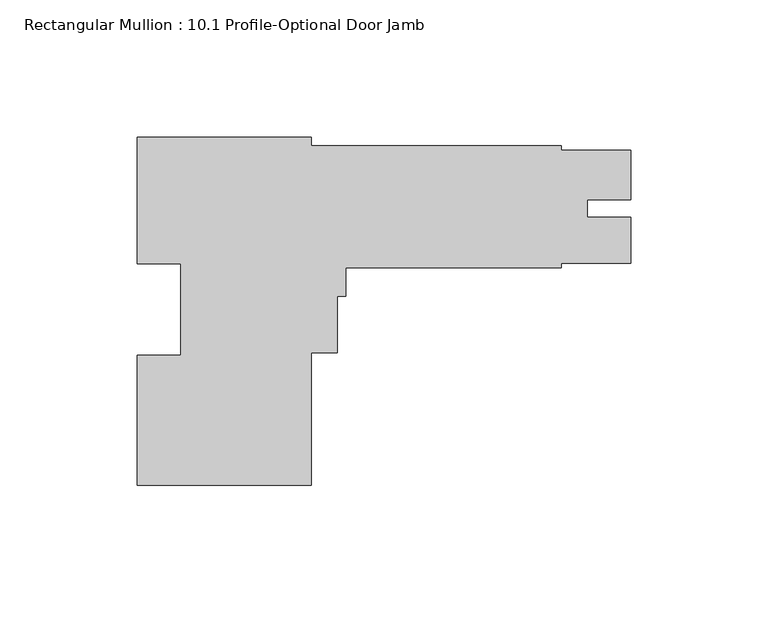
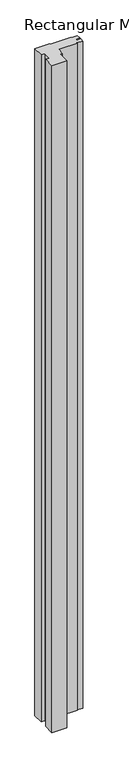
"""IFC4 building model written with IfcOpenShell, lengths in millimetres: member geometry, Rectangular Mullion : 10.1 Profile-Optional Door Jamb."""

from ifc_helpers import new_model, si_unit, frame, origin, place, context, project, spatial, polyline, outline, extrude, source, transform, mapped, element, save


def rectangular_mullion_10_1_profile_optional_door_jamb_cd54d5b7(model_context):
    return source(origin(), model_context, "Body", "SweptSolid", [
        extrude(outline(polyline([(-116.67998, 46.92015), (-116.67998, 43.74515), (-25.4, 43.74515), (-25.4, 42.02049), (0.0, 42.14749), (0.0, 24.0861939), (-15.875, 24.0861939), (-15.875, 17.73809), (0.0, 17.73809), (0.0, 0.89789), (-25.39873, 0.89789), (-25.39873, -0.70485), (-103.97998, -0.70485), (-103.97998, -11.1674625), (-107.15498, -11.1674625), (-107.15498, -31.7922625), (-116.67998, -31.7922625), (-116.67998, -80.07985), (-180.17998, -80.07985), (-180.17998, -32.6204612), (-164.30498, -32.6204612), (-164.30498, 0.7388846), (-180.17998, 0.7388846), (-180.17998, 46.92015), (-116.67998, 46.92015)])), frame((0.0, 0.0, -3048.0), z_axis=(0.0, 0.0, 1.0), x_axis=(1.0, 0.0, 0.0)), (0.0, 0.0, 1.0), 3048.0),
    ])


if __name__ == "__main__":
    model = new_model("IFC4")
    model_context = context("Model", 3, world=origin())
    ifc_project = project(units=[si_unit("LENGTHUNIT", "METRE", prefix="MILLI")], contexts=[model_context])
    site = spatial("IfcSite", under=ifc_project)
    building = spatial("IfcBuilding", under=site)
    placement = place(None, origin())
    rectangular_mullion_10_1_profile_optional_door_jamb_shape = rectangular_mullion_10_1_profile_optional_door_jamb_cd54d5b7(model_context)
    element("IfcMember", 1, ObjectType="Rectangular Mullion : 10.1 Profile-Optional Door Jamb", at=placement, inside=building, context=model_context, shape_type="MappedRepresentation", body=[
        mapped(rectangular_mullion_10_1_profile_optional_door_jamb_shape, transform((0.0, 0.0, 0.0), x_axis=(1.0, 0.0, 0.0), y_axis=(0.0, 1.0, 0.0), z_axis=(0.0, 0.0, 1.0))),
    ])
    save(model, "model.ifc")
